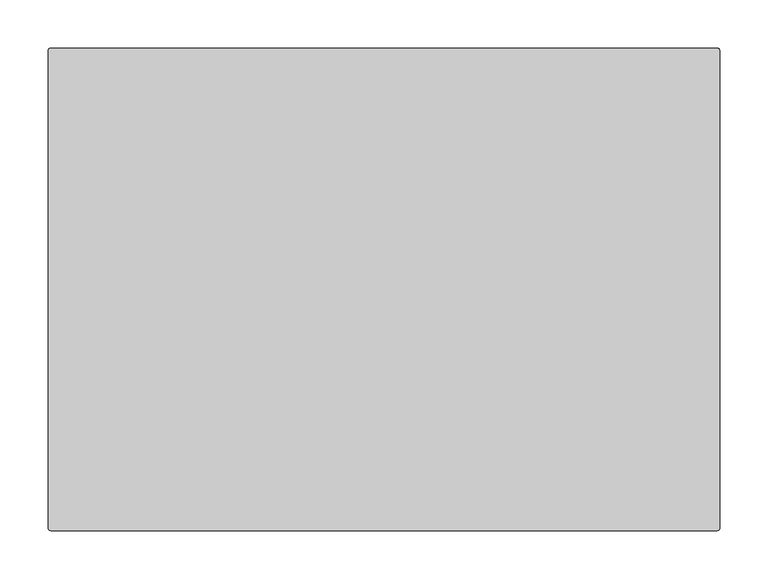
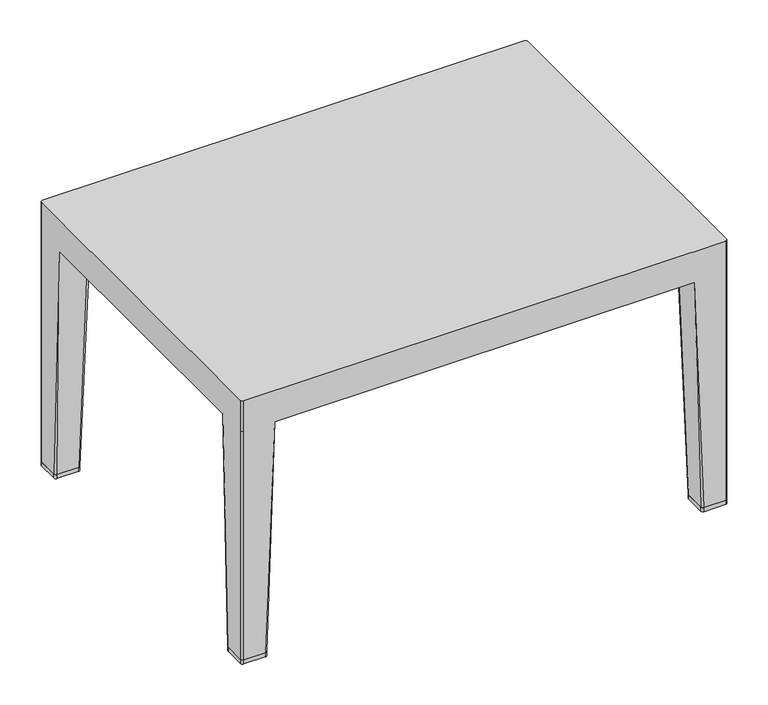
"""IFC4 building model written with IfcOpenShell, lengths in millimetres: furniture geometry."""

from ifc_helpers import new_model, si_unit, point, frame, frame_2d, origin, origin_with_axes, place, context, project, spatial, polyline, circle_curve, trimmed, segment, composite_curve, outline, extrude, source, transform, mapped, element, save
from ifc_brep_helpers import plane_surface, cylinder_surface, spline_surface, advanced_brep


def furniture_ca426055(model_context):
    return source(origin(), model_context, "Body", "SolidModel", [
        advanced_brep(
        [(-349.25, -254.8549408, 6.3500002), (-352.425, -251.6799408, 6.3500002), (-352.425, -220.9083511, 6.3500002), (-349.2808826, -217.7642337, 6.3500002), (-318.505475, -217.7642337, 6.3500002), (-315.3716941, -220.8980146, 6.3500002), (-315.3716941, -251.6799408, 6.3500002), (-318.5466941, -254.8549408, 6.3500002), (-305.183744, -254.8549408, 352.7226563), (298.833744, -254.8549408, 352.7226563), (312.1966941, -254.8549408, 6.3500002), (342.9, -254.8549408, 6.3500002), (342.8620244, -254.8549408, 352.7226563), (342.8620244, -254.8549408, 400.05), (-349.25, -254.8549408, 400.05), (-349.25, -254.8549408, 352.7226563), (-305.183744, -213.9262836, 352.7226563), (-352.425, -207.5762836, 352.7226563), (-311.533744, -207.5762836, 352.7226563), (-352.425, -251.6799408, 352.7226563), (-352.425, -251.6799408, 400.05), (-352.425, 243.6032167, 400.05), (-352.425, 243.6032167, 352.7226563), (-352.425, 243.6200592, 6.3500002), (-352.425, 212.8484695, 6.3500002), (-352.425, 199.516402, 352.7226563), (309.0216941, -251.6799408, 6.3500002), (309.0216941, -220.8980146, 6.3500002), (312.155475, -217.7642337, 6.3500002), (342.9308826, -217.7642337, 6.3500002), (346.075, -220.9083511, 6.3500002), (346.075, -251.6799408, 6.3500002), (298.833744, -213.9262836, 352.7226563), (305.183744, -207.5762836, 352.7226563), (346.075, -207.5762836, 352.7226563), (346.075, 199.516402, 352.7226563), (346.075, 212.8484695, 6.3500002), (346.075, 243.6200592, 6.3500002), (346.075, 243.5743066, 352.7226563), (346.075, 243.5743066, 400.05), (346.075, -251.6419652, 400.05), (346.075, -251.6419652, 352.7226563), (342.9, 246.7950592, 6.3500002), (342.9308826, 209.7043521, 6.3500002), (312.155475, 209.7043521, 6.3500002), (309.0216941, 212.838133, 6.3500002), (309.0216941, 243.6200592, 6.3500002), (312.1966941, 246.7950592, 6.3500002), (298.833744, 246.7950592, 352.7226563), (-305.183744, 246.7950592, 352.7226563), (-318.5466941, 246.7950592, 6.3500002), (-349.25, 246.7950592, 6.3500002), (-349.2331575, 246.7950592, 352.7226563), (-349.2331575, 246.7950592, 400.05), (342.8542474, 246.7950592, 400.05), (342.8542474, 246.7950592, 352.7226563), (298.833744, 205.866402, 352.7226563), (305.183744, 199.516402, 352.7226563), (-315.3716941, 243.6200592, 6.3500002), (-315.3716941, 212.838133, 6.3500002), (-318.505475, 209.7043521, 6.3500002), (-349.2808826, 209.7043521, 6.3500002), (-305.183744, 205.866402, 352.7226563), (-311.533744, 199.516402, 352.7226563)],
        [
            (0, 1, circle_curve(frame((-349.25, -251.6799408, 6.3500002), z_axis=(0.0, 0.0, -1.0), x_axis=(0.0, -1.0, 0.0)), 3.175)),
            (1, 2),
            (2, 3, circle_curve(frame((-349.2808826, -220.9083511, 6.3500002), z_axis=(0.0, 0.0, -1.0), x_axis=(-1.0, 0.0, 0.0)), 3.1441174)),
            (3, 4),
            (4, 5, circle_curve(frame((-318.505475, -220.8980146, 6.3500002), z_axis=(0.0, 0.0, -1.0), x_axis=(-1.0, 0.0, 0.0)), 3.1337809)),
            (5, 6),
            (6, 7, circle_curve(frame((-318.5466941, -251.6799408, 6.3500002), z_axis=(0.0, 0.0, -1.0), x_axis=(-1.0, 0.0, 0.0)), 3.175)),
            (7, 0),
            (7, 8),
            (8, 9),
            (9, 10),
            (10, 11),
            (11, 12),
            (12, 13),
            (13, 14),
            (14, 15),
            (15, 0),
            (5, 16),
            (16, 8),
            (8, 6),
            (3, 17),
            (17, 18),
            (18, 4),
            (1, 19),
            (19, 20),
            (20, 21),
            (21, 22),
            (22, 23),
            (23, 24),
            (24, 25),
            (25, 17),
            (17, 2),
            (18, 16, circle_curve(frame((-311.533744, -213.9262836, 352.7226563), z_axis=(0.0, 0.0, -1.0), x_axis=(-1.0, 0.0, 0.0)), 6.35)),
            (15, 19, circle_curve(frame((-349.25, -251.6799408, 352.7226562), z_axis=(0.0, 0.0, -1.0), x_axis=(0.0, -1.0, 0.0)), 3.175)),
            (10, 26, circle_curve(frame((312.1966941, -251.6799408, 6.3500002), z_axis=(0.0, 0.0, -1.0), x_axis=(1.0, 0.0, 0.0)), 3.175)),
            (26, 27),
            (27, 28, circle_curve(frame((312.155475, -220.8980146, 6.3500002), z_axis=(0.0, 0.0, -1.0), x_axis=(1.0, 0.0, 0.0)), 3.1337809)),
            (28, 29),
            (29, 30, circle_curve(frame((342.9308826, -220.9083511, 6.3500002), z_axis=(0.0, 0.0, -1.0), x_axis=(1.0, 0.0, 0.0)), 3.1441174)),
            (30, 31),
            (31, 11, circle_curve(frame((342.9, -251.6799408, 6.3500002), z_axis=(0.0, 0.0, -1.0), x_axis=(1.0, 0.0, 0.0)), 3.175)),
            (26, 9),
            (9, 32),
            (32, 27),
            (28, 33),
            (33, 34),
            (34, 29),
            (30, 34),
            (34, 35),
            (35, 36),
            (36, 37),
            (37, 38),
            (38, 39),
            (39, 40),
            (40, 41),
            (41, 31),
            (32, 33, circle_curve(frame((305.183744, -213.9262836, 352.7226563), z_axis=(0.0, 0.0, -1.0), x_axis=(1.0, 0.0, 0.0)), 6.35)),
            (41, 12, circle_curve(frame((342.8620244, -251.6419652, 352.7226563), z_axis=(0.0, 0.0, -1.0), x_axis=(1.0, 0.0, 0.0)), 3.2129756)),
            (42, 37, circle_curve(frame((342.9, 243.6200592, 6.3500002), z_axis=(0.0, 0.0, -1.0), x_axis=(1.0, 0.0, 0.0)), 3.175)),
            (36, 43, circle_curve(frame((342.9308826, 212.8484695, 6.3500002), z_axis=(0.0, 0.0, -1.0), x_axis=(1.0, 0.0, 0.0)), 3.1441174)),
            (43, 44),
            (44, 45, circle_curve(frame((312.155475, 212.838133, 6.3500002), z_axis=(0.0, 0.0, -1.0), x_axis=(1.0, 0.0, 0.0)), 3.1337809)),
            (45, 46),
            (46, 47, circle_curve(frame((312.1966941, 243.6200592, 6.3500002), z_axis=(0.0, 0.0, -1.0), x_axis=(1.0, 0.0, 0.0)), 3.175)),
            (47, 42),
            (47, 48),
            (48, 49),
            (49, 50),
            (50, 51),
            (51, 52),
            (52, 53),
            (53, 54),
            (54, 55),
            (55, 42),
            (45, 56),
            (56, 48),
            (48, 46),
            (43, 35),
            (35, 57),
            (57, 44),
            (57, 56, circle_curve(frame((305.183744, 205.866402, 352.7226563), z_axis=(0.0, 0.0, -1.0), x_axis=(1.0, 0.0, 0.0)), 6.35)),
            (55, 38, circle_curve(frame((342.8542474, 243.5743066, 352.7226563), z_axis=(0.0, 0.0, -1.0), x_axis=(1.0, 0.0, 0.0)), 3.2207526)),
            (50, 58, circle_curve(frame((-318.5466941, 243.6200592, 6.3500002), z_axis=(0.0, 0.0, -1.0), x_axis=(-1.0, 0.0, 0.0)), 3.175)),
            (58, 59),
            (59, 60, circle_curve(frame((-318.505475, 212.838133, 6.3500002), z_axis=(0.0, 0.0, -1.0), x_axis=(-1.0, 0.0, 0.0)), 3.1337809)),
            (60, 61),
            (61, 24, circle_curve(frame((-349.2808826, 212.8484695, 6.3500002), z_axis=(0.0, 0.0, -1.0), x_axis=(-1.0, 0.0, 0.0)), 3.1441174)),
            (23, 51, circle_curve(frame((-349.25, 243.6200592, 6.3500002), z_axis=(0.0, 0.0, -1.0), x_axis=(-1.0, 0.0, 0.0)), 3.175)),
            (58, 49),
            (49, 62),
            (62, 59),
            (60, 63),
            (63, 25),
            (25, 61),
            (62, 63, circle_curve(frame((-311.533744, 205.866402, 352.7226563), z_axis=(0.0, 0.0, -1.0), x_axis=(-1.0, 0.0, 0.0)), 6.35)),
            (22, 52, circle_curve(frame((-349.2331575, 243.6032167, 352.7226563), z_axis=(0.0, 0.0, -1.0), x_axis=(1.0, 0.0, 0.0)), 3.1918425)),
            (53, 21, circle_curve(frame((-349.2331575, 243.6032167, 400.05), z_axis=(0.0, 0.0, 1.0), x_axis=(1.0, 0.0, 0.0)), 3.1918425)),
            (20, 14, circle_curve(frame((-349.25, -251.6799408, 400.05), z_axis=(0.0, 0.0, 1.0), x_axis=(1.0, 0.0, 0.0)), 3.175)),
            (13, 40, circle_curve(frame((342.8620244, -251.6419652, 400.05), z_axis=(0.0, 0.0, 1.0), x_axis=(1.0, 0.0, 0.0)), 3.2129756)),
            (39, 54, circle_curve(frame((342.8542474, 243.5743066, 400.05), z_axis=(0.0, 0.0, 1.0), x_axis=(1.0, 0.0, 0.0)), 3.2207526)),
        ],
        [
            plane_surface(frame((-333.897055, -236.3005745, 6.3500002), z_axis=(0.0, 0.0, -1.0), x_axis=(1.0, 0.0, 0.0))),
            plane_surface(frame((-333.898347, -254.8549408, 6.3500002), z_axis=(0.0, -1.0, 0.0), x_axis=(1.0, 0.0, 0.0))),
            plane_surface(frame((-315.3716941, -236.2889777, 6.3500002), z_axis=(0.9995677104479737, 0.0, -0.029400548120673928), x_axis=(0.0, 1.0, 0.0))),
            plane_surface(frame((-333.8931788, -217.7642337, 6.3500002), z_axis=(0.0, 0.9995677104479727, -0.02940054812070602), x_axis=(-1.0, 0.0, 0.0))),
            plane_surface(frame((-352.425, -236.2941459, 6.3500002), z_axis=(-1.0, 0.0, 0.0), x_axis=(0.0, -1.0, 0.0))),
            spline_surface(2, 1, [[(-318.5466941, -254.8549408, 6.3500002), (-305.183744, -254.8549408, 352.7226563)], [(-315.3716941, -254.8549408, 6.3500002), (-305.183744, -254.8549408, 352.7226563)], [(-315.3716941, -251.6799408, 6.3500002), (-305.183744, -254.8549408, 352.7226563)]], [3, 3], [2, 2], [0.0, 1.0], [0.0, 1.0], weights=[[1.0, 1.0], [0.7071067811865476, 0.7071067811865476], [1.0, 1.0]]),
            spline_surface(2, 1, [[(-315.3716941, -220.8980146, 6.3500002), (-305.183744, -213.9262836, 352.7226563)], [(-315.3716941, -217.76423370000003, 6.3500002), (-305.18374399999993, -207.57628359999998, 352.7226563)], [(-318.505475, -217.7642337, 6.3500002), (-311.533744, -207.5762836, 352.7226563)]], [3, 3], [2, 2], [0.0, 1.0], [0.0, 1.0], weights=[[1.0, 1.0], [0.7071067811865459, 0.7071067811865459], [1.0, 1.0]]),
            spline_surface(2, 1, [[(-349.2808826, -217.7642337, 6.3500002), (-352.425, -207.5762836, 352.7226563)], [(-352.42499999999995, -217.76423370000003, 6.3500002), (-352.425, -207.5762836, 352.7226563)], [(-352.425, -220.9083511, 6.3500002), (-352.425, -207.5762836, 352.7226563)]], [3, 3], [2, 2], [0.0, 1.0], [0.0, 1.0], weights=[[1.0, 1.0], [0.7071067811865508, 0.7071067811865508], [1.0, 1.0]]),
            cylinder_surface(frame((-349.25, -251.6799408, 6.3500002), z_axis=(0.0, 0.0, 1.0), x_axis=(0.0, -1.0, 0.0)), 3.175),
            plane_surface(frame((327.547055, -236.3005745, 6.3500002), z_axis=(0.0, 0.0, -1.0), x_axis=(1.0, 0.0, 0.0))),
            plane_surface(frame((309.0216941, -236.2889777, 6.3500002), z_axis=(-0.9995677104479737, 0.0, -0.029400548120673928), x_axis=(0.0, -1.0, 0.0))),
            plane_surface(frame((327.5431788, -217.7642337, 6.3500002), z_axis=(0.0, 0.9995677104479727, -0.02940054812070612), x_axis=(-1.0, 0.0, 0.0))),
            plane_surface(frame((346.075, -236.2941459, 6.3500002), z_axis=(1.0, 0.0, 0.0), x_axis=(0.0, 1.0, 0.0))),
            spline_surface(2, 1, [[(309.0216941, -251.6799408, 6.3500002), (298.833744, -254.8549408, 352.7226563)], [(309.0216941, -254.8549408, 6.3500002), (298.833744, -254.8549408, 352.7226563)], [(312.1966941, -254.8549408, 6.3500002), (298.833744, -254.8549408, 352.7226563)]], [3, 3], [2, 2], [0.0, 1.0], [0.0, 1.0], weights=[[1.0, 1.0], [0.7071067811865476, 0.7071067811865476], [1.0, 1.0]]),
            spline_surface(2, 1, [[(312.155475, -217.7642337, 6.3500002), (305.183744, -207.5762836, 352.7226563)], [(309.0216941, -217.7642337, 6.3500002), (298.833744, -207.57628359999998, 352.7226563)], [(309.0216941, -220.8980146, 6.3500002), (298.833744, -213.9262836, 352.7226563)]], [3, 3], [2, 2], [0.0, 1.0], [0.0, 1.0], weights=[[1.0, 1.0], [0.7071067811865459, 0.7071067811865459], [1.0, 1.0]]),
            spline_surface(2, 1, [[(346.075, -220.9083511, 6.3500002), (346.075, -207.5762836, 352.7226563)], [(346.075, -217.76423370000003, 6.3500002), (346.075, -207.5762836, 352.7226563)], [(342.9308826, -217.7642337, 6.3500002), (346.075, -207.5762836, 352.7226563)]], [3, 3], [2, 2], [0.0, 1.0], [0.0, 1.0], weights=[[1.0, 1.0], [0.7071067811865507, 0.7071067811865507], [1.0, 1.0]]),
            spline_surface(2, 1, [[(342.9, -254.8549408, 6.3500002), (342.8620244, -254.8549408, 352.7226563)], [(346.075, -254.85494080000004, 6.3500002), (346.07500000000005, -254.85494080000004, 352.7226563)], [(346.075, -251.6799408, 6.3500002), (346.075, -251.6419652, 352.7226563)]], [3, 3], [2, 2], [0.0, 1.0], [0.0, 1.0], weights=[[1.0, 1.0], [0.7071067811865444, 0.7071067811865444], [1.0, 1.0]]),
            plane_surface(frame((327.547055, 228.240693, 6.3500002), z_axis=(0.0, 0.0, -1.0), x_axis=(-1.0, 0.0, 0.0))),
            plane_surface(frame((327.548347, 246.7950592, 6.3500002), z_axis=(0.0, 1.0, 0.0), x_axis=(-1.0, 0.0, 0.0))),
            plane_surface(frame((309.0216941, 228.2290961, 6.3500002), z_axis=(-0.9995677104479737, 0.0, -0.029400548120673737), x_axis=(0.0, -1.0, 0.0))),
            plane_surface(frame((327.5431788, 209.7043521, 6.3500002), z_axis=(0.0, -0.9995677104479727, -0.029400548120706117), x_axis=(1.0, 0.0, 0.0))),
            spline_surface(2, 1, [[(312.1966941, 246.7950592, 6.3500002), (298.833744, 246.7950592, 352.7226563)], [(309.0216941, 246.7950592, 6.3500002), (298.833744, 246.7950592, 352.7226563)], [(309.0216941, 243.6200592, 6.3500002), (298.833744, 246.7950592, 352.7226563)]], [3, 3], [2, 2], [0.0, 1.0], [0.0, 1.0], weights=[[1.0, 1.0], [0.7071067811865476, 0.7071067811865476], [1.0, 1.0]]),
            spline_surface(2, 1, [[(309.0216941, 212.838133, 6.3500002), (298.833744, 205.866402, 352.7226563)], [(309.0216941, 209.70435209999997, 6.3500002), (298.8337440000001, 199.51640200000003, 352.7226563)], [(312.155475, 209.7043521, 6.3500002), (305.183744, 199.516402, 352.7226563)]], [3, 3], [2, 2], [0.0, 1.0], [0.0, 1.0], weights=[[1.0, 1.0], [0.7071067811865491, 0.7071067811865491], [1.0, 1.0]]),
            spline_surface(2, 1, [[(342.9308826, 209.7043521, 6.3500002), (346.075, 199.516402, 352.7226563)], [(346.07500000000005, 209.70435209999997, 6.3500002), (346.075, 199.516402, 352.7226563)], [(346.075, 212.8484695, 6.3500002), (346.075, 199.516402, 352.7226563)]], [3, 3], [2, 2], [0.0, 1.0], [0.0, 1.0], weights=[[1.0, 1.0], [0.7071067811865444, 0.7071067811865444], [1.0, 1.0]]),
            spline_surface(2, 1, [[(346.075, 243.6200592, 6.3500002), (346.075, 243.5743066, 352.7226563)], [(346.075, 246.7950592, 6.3500002), (346.075, 246.79505919999997, 352.7226563)], [(342.9, 246.7950592, 6.3500002), (342.8542474, 246.7950592, 352.7226563)]], [3, 3], [2, 2], [0.0, 1.0], [0.0, 1.0], weights=[[1.0, 1.0], [0.7071067811865506, 0.7071067811865506], [1.0, 1.0]]),
            plane_surface(frame((-333.897055, 228.240693, 6.3500002), z_axis=(0.0, 0.0, -1.0), x_axis=(-1.0, 0.0, 0.0))),
            plane_surface(frame((-315.3716941, 228.2290961, 6.3500002), z_axis=(0.9995677104479737, 0.0, -0.029400548120673733), x_axis=(0.0, 1.0, 0.0))),
            plane_surface(frame((-333.8931788, 209.7043521, 6.3500002), z_axis=(0.0, -0.9995677104479727, -0.029400548120705923), x_axis=(1.0, 0.0, 0.0))),
            spline_surface(2, 1, [[(-315.3716941, 243.6200592, 6.3500002), (-305.183744, 246.7950592, 352.7226563)], [(-315.3716941, 246.7950592, 6.3500002), (-305.183744, 246.7950592, 352.7226563)], [(-318.5466941, 246.7950592, 6.3500002), (-305.183744, 246.7950592, 352.7226563)]], [3, 3], [2, 2], [0.0, 1.0], [0.0, 1.0], weights=[[1.0, 1.0], [0.7071067811865476, 0.7071067811865476], [1.0, 1.0]]),
            spline_surface(2, 1, [[(-318.505475, 209.7043521, 6.3500002), (-311.533744, 199.516402, 352.7226563)], [(-315.3716941, 209.70435210000002, 6.3500002), (-305.18374400000005, 199.51640200000003, 352.7226563)], [(-315.3716941, 212.838133, 6.3500002), (-305.183744, 205.866402, 352.7226563)]], [3, 3], [2, 2], [0.0, 1.0], [0.0, 1.0], weights=[[1.0, 1.0], [0.7071067811865491, 0.7071067811865491], [1.0, 1.0]]),
            spline_surface(2, 1, [[(-352.425, 212.8484695, 6.3500002), (-352.425, 199.516402, 352.7226563)], [(-352.42500000000007, 209.70435209999997, 6.3500002), (-352.425, 199.516402, 352.7226563)], [(-349.2808826, 209.7043521, 6.3500002), (-352.425, 199.516402, 352.7226563)]], [3, 3], [2, 2], [0.0, 1.0], [0.0, 1.0], weights=[[1.0, 1.0], [0.7071067811865444, 0.7071067811865444], [1.0, 1.0]]),
            spline_surface(2, 1, [[(-349.25, 246.7950592, 6.3500002), (-349.2331575, 246.7950592, 352.7226563)], [(-352.425, 246.7950592, 6.3500002), (-352.425, 246.7950592, 352.7226563)], [(-352.425, 243.6200592, 6.3500002), (-352.425, 243.6032167, 352.7226563)]], [3, 3], [2, 2], [0.0, 1.0], [0.0, 1.0], weights=[[1.0, 1.0], [0.7071067811865476, 0.7071067811865476], [1.0, 1.0]]),
            plane_surface(frame((-349.2331575, 246.7950592, 400.05), z_axis=(0.0, 0.0, 1.0), x_axis=(-1.0, 0.0, 0.0))),
            plane_surface(frame((-349.2331575, 246.7950592, 352.7226563), z_axis=(0.0, 0.0, -1.0), x_axis=(1.0, 0.0, 0.0))),
            cylinder_surface(frame((-349.2331575, 243.6032167, 352.7226563), z_axis=(0.0, 0.0, 1.0), x_axis=(1.0, 0.0, 0.0)), 3.1918425),
            cylinder_surface(frame((-349.25, -251.6799408, 352.7226563), z_axis=(0.0, 0.0, 1.0), x_axis=(1.0, 0.0, 0.0)), 3.175),
            cylinder_surface(frame((342.8620244, -251.6419652, 352.7226563), z_axis=(0.0, 0.0, 1.0), x_axis=(1.0, 0.0, 0.0)), 3.2129756),
            cylinder_surface(frame((342.8542474, 243.5743066, 352.7226563), z_axis=(0.0, 0.0, 1.0), x_axis=(1.0, 0.0, 0.0)), 3.2207526),
        ],
        [
            (0, [[1, 2, 3, 4, 5, 6, 7, 8]]),
            (1, [[-8, 9, 10, 11, 12, 13, 14, 15, 16, 17]]),
            (2, [[-6, 18, 19, 20]]),
            (3, [[-4, 21, 22, 23]]),
            (4, [[-2, 24, 25, 26, 27, 28, 29, 30, 31, 32]]),
            (5, [[-7, -20, -9]]),
            (6, [[-5, -23, 33, -18]]),
            (7, [[-3, -32, -21]]),
            (8, [[-1, -17, 34, -24]]),
            (9, [[-12, 35, 36, 37, 38, 39, 40, 41]]),
            (10, [[-36, 42, 43, 44]]),
            (11, [[-38, 45, 46, 47]]),
            (12, [[-40, 48, 49, 50, 51, 52, 53, 54, 55, 56]]),
            (13, [[-35, -11, -42]]),
            (14, [[-37, -44, 57, -45]]),
            (15, [[-39, -47, -48]]),
            (16, [[-41, -56, 58, -13]]),
            (17, [[59, -51, 60, 61, 62, 63, 64, 65]]),
            (18, [[-65, 66, 67, 68, 69, 70, 71, 72, 73, 74]]),
            (19, [[-63, 75, 76, 77]]),
            (20, [[-61, 78, 79, 80]]),
            (21, [[-64, -77, -66]]),
            (22, [[-62, -80, 81, -75]]),
            (23, [[-60, -50, -78]]),
            (24, [[-59, -74, 82, -52]]),
            (25, [[-69, 83, 84, 85, 86, 87, -29, 88]]),
            (26, [[-84, 89, 90, 91]]),
            (27, [[-86, 92, 93, 94]]),
            (28, [[-83, -68, -89]]),
            (29, [[-85, -91, 95, -92]]),
            (30, [[-87, -94, -30]]),
            (31, [[-88, -28, 96, -70]]),
            (32, [[-72, 97, -26, 98, -15, 99, -54, 100]]),
            (33, [[-10, -19, -33, -22, -31, -93, -95, -90, -67, -76, -81, -79, -49, -46, -57, -43]]),
            (34, [[-97, -71, -96, -27]]),
            (35, [[-98, -25, -34, -16]]),
            (36, [[-99, -14, -58, -55]]),
            (37, [[-100, -53, -82, -73]]),
        ],
    ),
        extrude(outline(composite_curve([segment(trimmed(circle_curve(frame_2d((-349.25, -251.6799408)), 3.175), [point((-349.25, -254.8549408))], [point((-352.425, -251.6799408))], False, "CARTESIAN"), True, "CONTINUOUS"), segment(polyline([(-352.425, -251.6799408), (-352.425, -220.9442945)]), True, "CONTINUOUS"), segment(trimmed(circle_curve(frame_2d((-349.2449392, -220.9442945)), 3.1800608), [point((-352.425, -220.9442945))], [point((-349.2449392, -217.7642337))], False, "CARTESIAN"), True, "CONTINUOUS"), segment(polyline([(-349.2449392, -217.7642337), (-318.5821452, -217.7642337)]), True, "CONTINUOUS"), segment(trimmed(circle_curve(frame_2d((-318.5821452, -220.9746848)), 3.2104511), [point((-318.5821452, -217.7642337))], [point((-315.3716941, -220.9746848))], False, "CARTESIAN"), True, "CONTINUOUS"), segment(polyline([(-315.3716941, -220.9746848), (-315.3716941, -251.6799408)]), True, "CONTINUOUS"), segment(trimmed(circle_curve(frame_2d((-318.5466941, -251.6799408)), 3.175), [point((-315.3716941, -251.6799408))], [point((-318.5466941, -254.8549408))], False, "CARTESIAN"), True, "CONTINUOUS"), segment(polyline([(-318.5466941, -254.8549408), (-349.25, -254.8549408)]), True, "CONTINUOUS")], self_intersect=False)), origin_with_axes(), (0.0, 0.0, 1.0), 6.3500002),
        extrude(outline(composite_curve([segment(polyline([(342.9, -254.8549408), (312.1966941, -254.8549408)]), True, "CONTINUOUS"), segment(trimmed(circle_curve(frame_2d((312.1966941, -251.6799408)), 3.175), [point((312.1966941, -254.8549408))], [point((309.0216941, -251.6799408))], False, "CARTESIAN"), True, "CONTINUOUS"), segment(polyline([(309.0216941, -251.6799408), (309.0216941, -220.9746848)]), True, "CONTINUOUS"), segment(trimmed(circle_curve(frame_2d((312.2321452, -220.9746848)), 3.2104511), [point((309.0216941, -220.9746848))], [point((312.2321452, -217.7642337))], False, "CARTESIAN"), True, "CONTINUOUS"), segment(polyline([(312.2321452, -217.7642337), (342.8949392, -217.7642337)]), True, "CONTINUOUS"), segment(trimmed(circle_curve(frame_2d((342.8949392, -220.9442945)), 3.1800608), [point((342.8949392, -217.7642337))], [point((346.075, -220.9442945))], False, "CARTESIAN"), True, "CONTINUOUS"), segment(polyline([(346.075, -220.9442945), (346.075, -251.6799408)]), True, "CONTINUOUS"), segment(trimmed(circle_curve(frame_2d((342.9, -251.6799408)), 3.175), [point((346.075, -251.6799408))], [point((342.9, -254.8549408))], False, "CARTESIAN"), True, "CONTINUOUS")], self_intersect=False)), origin_with_axes(), (0.0, 0.0, 1.0), 6.3500002),
        extrude(outline(composite_curve([segment(polyline([(-349.25, 246.7950592), (-318.5466941, 246.7950592)]), True, "CONTINUOUS"), segment(trimmed(circle_curve(frame_2d((-318.5466941, 243.6200592)), 3.175), [point((-318.5466941, 246.7950592))], [point((-315.3716941, 243.6200592))], False, "CARTESIAN"), True, "CONTINUOUS"), segment(polyline([(-315.3716941, 243.6200592), (-315.3716941, 213.0430135)]), True, "CONTINUOUS"), segment(trimmed(circle_curve(frame_2d((-318.5821452, 213.0430135)), 3.2104511), [point((-315.3716941, 213.0430135))], [point((-318.5821452, 209.8325624))], False, "CARTESIAN"), True, "CONTINUOUS"), segment(polyline([(-318.5821452, 209.8325624), (-349.2449392, 209.8325624)]), True, "CONTINUOUS"), segment(trimmed(circle_curve(frame_2d((-349.2449392, 213.0126232)), 3.1800608), [point((-349.2449392, 209.8325624))], [point((-352.425, 213.0126232))], False, "CARTESIAN"), True, "CONTINUOUS"), segment(polyline([(-352.425, 213.0126232), (-352.425, 243.6200592)]), True, "CONTINUOUS"), segment(trimmed(circle_curve(frame_2d((-349.25, 243.6200592)), 3.175), [point((-352.425, 243.6200592))], [point((-349.25, 246.7950592))], False, "CARTESIAN"), True, "CONTINUOUS")], self_intersect=False)), origin_with_axes(), (0.0, 0.0, 1.0), 6.3500002),
        extrude(outline(composite_curve([segment(trimmed(circle_curve(frame_2d((342.9, 243.6200592)), 3.175), [point((342.9, 246.7950592))], [point((346.075, 243.6200592))], False, "CARTESIAN"), True, "CONTINUOUS"), segment(polyline([(346.075, 243.6200592), (346.075, 213.0126232)]), True, "CONTINUOUS"), segment(trimmed(circle_curve(frame_2d((342.8949392, 213.0126232)), 3.1800608), [point((346.075, 213.0126232))], [point((342.8949392, 209.8325624))], False, "CARTESIAN"), True, "CONTINUOUS"), segment(polyline([(342.8949392, 209.8325624), (312.2321452, 209.8325624)]), True, "CONTINUOUS"), segment(trimmed(circle_curve(frame_2d((312.2321452, 213.0430135)), 3.2104511), [point((312.2321452, 209.8325624))], [point((309.0216941, 213.0430135))], False, "CARTESIAN"), True, "CONTINUOUS"), segment(polyline([(309.0216941, 213.0430135), (309.0216941, 243.6200592)]), True, "CONTINUOUS"), segment(trimmed(circle_curve(frame_2d((312.1966941, 243.6200592)), 3.175), [point((309.0216941, 243.6200592))], [point((312.1966941, 246.7950592))], False, "CARTESIAN"), True, "CONTINUOUS"), segment(polyline([(312.1966941, 246.7950592), (342.9, 246.7950592)]), True, "CONTINUOUS")], self_intersect=False)), origin_with_axes(), (0.0, 0.0, 1.0), 6.3500002),
    ])


if __name__ == "__main__":
    model = new_model("IFC4")
    model_context = context("Model", 3, world=origin())
    ifc_project = project(units=[si_unit("LENGTHUNIT", "METRE", prefix="MILLI")], contexts=[model_context])
    site = spatial("IfcSite", under=ifc_project)
    building = spatial("IfcBuilding", under=site)
    placement = place(None, origin())
    furniture_shape = furniture_ca426055(model_context)
    element("IfcFurniture", 1, at=placement, inside=building, context=model_context, shape_type="MappedRepresentation", body=[
        mapped(furniture_shape, transform((0.0, 0.0, 0.0), x_axis=(1.0, 0.0, 0.0), y_axis=(0.0, 1.0, 0.0), z_axis=(0.0, 0.0, 1.0))),
    ])
    save(model, "model.ifc")
